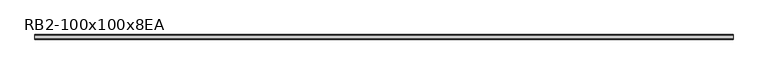
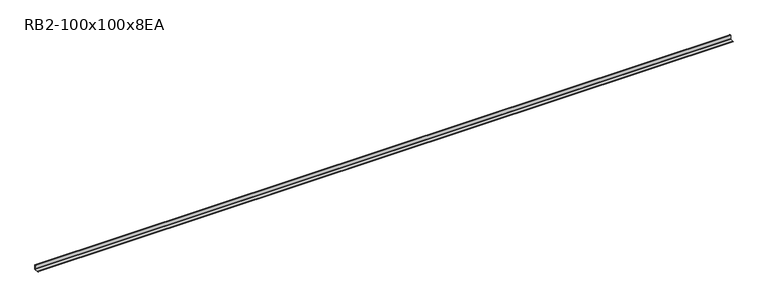
"""IFC4 building model written with IfcOpenShell, lengths in millimetres: member geometry, RB2-100x100x8EA."""

from ifc_helpers import new_model, si_unit, point, frame, frame_2d, origin, place, context, project, spatial, polyline, circle_curve, trimmed, segment, composite_curve, outline, extrude, source, transform, mapped, element, save


def rb2_100x100x8ea_54e17a1d(model_context):
    return source(origin(), model_context, "Body", "SweptSolid", [
        extrude(outline(composite_curve([segment(polyline([(27.5, -27.5), (-72.5, -27.5), (-72.5, -24.5)]), True, "CONTINUOUS"), segment(trimmed(circle_curve(frame_2d((-67.5, -24.5)), 5.0), [point((-72.5, -24.5))], [point((-67.5, -19.5))], False, "CARTESIAN"), True, "CONTINUOUS"), segment(polyline([(-67.5, -19.5), (11.5, -19.5)]), True, "CONTINUOUS"), segment(trimmed(circle_curve(frame_2d((11.5, -11.5)), 8.0), [point((11.5, -19.5))], [point((19.5, -11.5))], True, "CARTESIAN"), True, "CONTINUOUS"), segment(polyline([(19.5, -11.5), (19.5, 67.5)]), True, "CONTINUOUS"), segment(trimmed(circle_curve(frame_2d((24.5, 67.5)), 5.0), [point((19.5, 67.5))], [point((24.5, 72.5))], False, "CARTESIAN"), True, "CONTINUOUS"), segment(polyline([(24.5, 72.5), (27.5, 72.5), (27.5, -27.5)]), True, "CONTINUOUS")], self_intersect=False)), frame((-7311.0, 0.0, 0.0), z_axis=(1.0, 0.0, 0.0), x_axis=(0.0, 1.0, 0.0)), (0.0, 0.0, 1.0), 15000.0),
    ])


if __name__ == "__main__":
    model = new_model("IFC4")
    model_context = context("Model", 3, world=origin())
    ifc_project = project(units=[si_unit("LENGTHUNIT", "METRE", prefix="MILLI")], contexts=[model_context])
    site = spatial("IfcSite", under=ifc_project)
    building = spatial("IfcBuilding", under=site)
    placement = place(None, origin())
    rb2_100x100x8ea_shape = rb2_100x100x8ea_54e17a1d(model_context)
    element("IfcMember", 1, ObjectType="RB2-100x100x8EA", at=placement, inside=building, context=model_context, shape_type="MappedRepresentation", body=[
        mapped(rb2_100x100x8ea_shape, transform((0.0, 0.0, 0.0), x_axis=(1.0, 0.0, 0.0), y_axis=(0.0, 1.0, 0.0), z_axis=(0.0, 0.0, 1.0))),
    ])
    save(model, "model.ifc")
